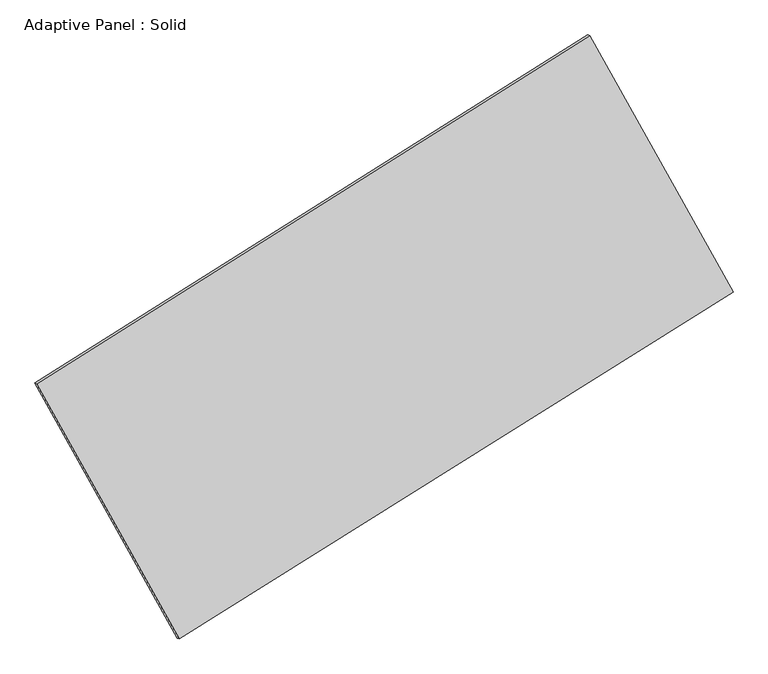
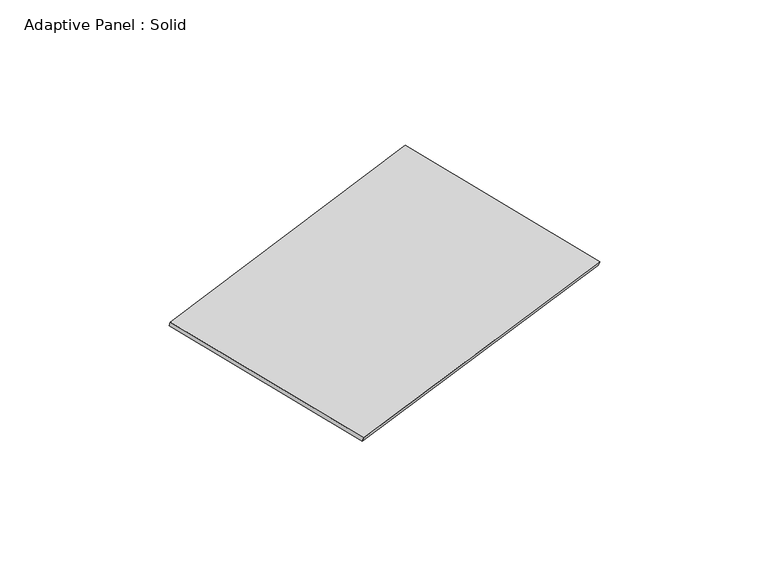
"""IFC4 building model written with IfcOpenShell, lengths in millimetres: plate geometry, Adaptive Panel : Solid."""

import ifcopenshell
import ifcopenshell.guid

model = None  # the IFC model being written
_history = None  # IfcOwnerHistory: only IFC2X3 demands one
_inside = {}  # id of a spatial element -> (the spatial element, [elements in it])
_under = {}  # id of a project, library or spatial element -> (it, [spatial elements below it])
_declared = {}  # id of a project -> (the project, [libraries it declares])
_typed = {}  # id of a type object -> (the type object, [elements of that type])
_made_of = {}  # id of a material, layer set ... -> (it, [elements and type objects made of it])


def new_model(schema):
    """Start an empty IFC model of exactly this schema.

    Asked for "IFC4X3", IfcOpenShell would pick the latest addendum, in which some entities
    have other attributes; the version numbers below select the first issue.
    IFC2X3 requires an IfcOwnerHistory on every rooted entity: one is made here for all.
    """
    global model, _history
    if schema == "IFC4X3":
        model = ifcopenshell.file(schema_version=(4, 3, 0, 0))
    else:
        model = ifcopenshell.file(schema=schema)
    _inside.clear()
    _under.clear()
    _declared.clear()
    _typed.clear()
    _made_of.clear()
    _history = None
    if model.schema == "IFC2X3":
        org = make("IfcOrganization", Name="unknown")
        user = make(
            "IfcPersonAndOrganization",
            ThePerson=make("IfcPerson", FamilyName="unknown"),
            TheOrganization=org,
        )
        app = make(
            "IfcApplication",
            ApplicationDeveloper=org,
            Version="unknown",
            ApplicationFullName="unknown",
            ApplicationIdentifier="unknown",
        )
        _history = make(
            "IfcOwnerHistory",
            OwningUser=user,
            OwningApplication=app,
            ChangeAction="ADDED",
            CreationDate=0,
        )
    return model


def make(cls, **values):
    """One entity of the class cls with the attributes given. An attribute that is None is left unset."""
    return model.create_entity(
        cls, **{name: value for name, value in values.items() if value is not None}
    )


def rooted(cls, **values):
    """An entity with a GlobalId (a new one), such as an element, a storey or a relation."""
    return make(cls, GlobalId=ifcopenshell.guid.new(), OwnerHistory=_history, **values)


def si_unit(unit_type, name, prefix=None):
    """IfcSIUnit, for example si_unit("LENGTHUNIT", "METRE", prefix="MILLI")."""
    return make("IfcSIUnit", UnitType=unit_type, Prefix=prefix, Name=name)


def assignment(units):
    """IfcUnitAssignment: the units of a project."""
    return None if units is None else make("IfcUnitAssignment", Units=units)


def point(xyz):
    """IfcCartesianPoint."""
    return None if xyz is None else make("IfcCartesianPoint", Coordinates=xyz)


def direction(xyz):
    """IfcDirection."""
    return None if xyz is None else make("IfcDirection", DirectionRatios=xyz)


def frame(location, z_axis=None, x_axis=None):
    """IfcAxis2Placement3D, a coordinate frame: its origin and axes. An axis left out is left unset."""
    return make(
        "IfcAxis2Placement3D",
        Location=point(location),
        Axis=direction(z_axis),
        RefDirection=direction(x_axis),
    )


def origin():
    """The frame at (0, 0, 0) with its axes left unset."""
    return frame((0.0, 0.0, 0.0))


def place(relative_to, where):
    """IfcLocalPlacement: puts the frame where relative to a parent placement (None: the world)."""
    return make(
        "IfcLocalPlacement", PlacementRelTo=relative_to, RelativePlacement=where
    )


def context(
    kind, dimensions, precision=None, world=None, true_north=None, identifier=None
):
    """IfcGeometricRepresentationContext, for example the 3D "Model" context."""
    return make(
        "IfcGeometricRepresentationContext",
        ContextIdentifier=identifier,
        ContextType=kind,
        CoordinateSpaceDimension=dimensions,
        Precision=precision,
        WorldCoordinateSystem=world,
        TrueNorth=true_north,
    )


def project(units=None, contexts=None):
    """IfcProject with its units and contexts."""
    return rooted(
        "IfcProject",
        Name="project",
        RepresentationContexts=contexts,
        UnitsInContext=assignment(units),
    )


def spatial(cls, under=None, at=None, **own):
    """A site, building, storey or space (cls), placed at a placement, below another one or the project."""
    s = rooted(cls, ObjectPlacement=at, **own)
    if under is not None:
        _under.setdefault(under.id(), (under, []))[1].append(s)
    return s


def polyline(points):
    """IfcPolyline through the points."""
    return make("IfcPolyline", Points=[point(p) for p in points])


def outline(outer, holes=None, kind="AREA"):
    """IfcArbitraryClosedProfileDef: a profile drawn as a closed curve; with holes, ...WithVoids."""
    if holes is None:
        return make("IfcArbitraryClosedProfileDef", ProfileType=kind, OuterCurve=outer)
    return make(
        "IfcArbitraryProfileDefWithVoids",
        ProfileType=kind,
        OuterCurve=outer,
        InnerCurves=holes,
    )


def extrude(swept, where, along, depth):
    """IfcExtrudedAreaSolid: the profile swept, set in the frame where, extruded along a direction by depth."""
    return make(
        "IfcExtrudedAreaSolid",
        SweptArea=swept,
        Position=where,
        ExtrudedDirection=direction(along),
        Depth=depth,
    )


def shape(context_of_items, identifier, shape_type, items):
    """IfcShapeRepresentation: the items that make up one representation, for example the "Body"."""
    return make(
        "IfcShapeRepresentation",
        ContextOfItems=context_of_items,
        RepresentationIdentifier=identifier,
        RepresentationType=shape_type,
        Items=items,
    )


def source(mapping_origin, context_of_items, identifier, shape_type, items):
    """IfcRepresentationMap: a shape defined once, which mapped items show again and again."""
    return make(
        "IfcRepresentationMap",
        MappingOrigin=mapping_origin,
        MappedRepresentation=shape(context_of_items, identifier, shape_type, items),
    )


def transform(
    local_origin,
    x_axis=None,
    y_axis=None,
    z_axis=None,
    scale=None,
    scale2=None,
    scale3=None,
    uniform=True,
):
    """IfcCartesianTransformationOperator3D, or its non-uniform kind. x_axis, y_axis, z_axis: its Axis1, 2, 3."""
    if uniform:
        return make(
            "IfcCartesianTransformationOperator3D",
            Axis1=direction(x_axis),
            Axis2=direction(y_axis),
            LocalOrigin=point(local_origin),
            Scale=scale,
            Axis3=direction(z_axis),
        )
    return make(
        "IfcCartesianTransformationOperator3DnonUniform",
        Axis1=direction(x_axis),
        Axis2=direction(y_axis),
        LocalOrigin=point(local_origin),
        Scale=scale,
        Axis3=direction(z_axis),
        Scale2=scale2,
        Scale3=scale3,
    )


def mapped(mapping_source, mapping_target):
    """IfcMappedItem: shows the shape of a source again, moved by a transform."""
    return make(
        "IfcMappedItem", MappingSource=mapping_source, MappingTarget=mapping_target
    )


def made_of(thing, what):
    """Note that an element or type object is made of a material, layer set ...; save() writes the relation."""
    if what is not None:
        _made_of.setdefault(what.id(), (what, []))[1].append(thing)
    return thing


def element(
    cls,
    number,
    at=None,
    inside=None,
    cuts=None,
    type_object=None,
    material=None,
    context=None,
    identifier="Body",
    shape_type=None,
    held_by="IfcProductDefinitionShape",
    body=None,
    shapes=None,
    **own,
):
    """One element of the class cls, such as IfcWall. Its Tag is "e" and its number.

    at: its placement. inside: the storey or other place that contains it. cuts: it is an
    opening in that element (IfcRelVoidsElement). A single representation is given by context,
    identifier, shape_type and body (its items); several are given by shapes. held_by: the class
    of the entity that holds the representations. save() writes the other relations.
    """
    e = rooted(cls, Tag="e%d" % number, ObjectPlacement=at, **own)
    if body is not None:
        shapes = [shape(context, identifier, shape_type, body)]
    if shapes is not None:
        e.Representation = make(held_by, Representations=shapes)
    if inside is not None:
        _inside.setdefault(inside.id(), (inside, []))[1].append(e)
    if cuts is not None:
        rooted(
            "IfcRelVoidsElement", RelatingBuildingElement=cuts, RelatedOpeningElement=e
        )
    if type_object is not None:
        _typed.setdefault(type_object.id(), (type_object, []))[1].append(e)
    return made_of(e, material)


def aggregate(whole, parts):
    """IfcRelAggregates: a whole, such as a stair, and the parts it consists of."""
    return rooted("IfcRelAggregates", RelatingObject=whole, RelatedObjects=parts)


def save(model, path):
    """Write the relations noted so far, then the file.

    IfcRelAggregates (storeys below a building ...), IfcRelContainedInSpatialStructure (elements
    in a storey), IfcRelDefinesByType, IfcRelAssociatesMaterial and IfcRelDeclares: one each for
    every whole, place, type object, material and project.
    """
    for whole, parts in _under.values():
        aggregate(whole, parts)
    for where, things in _inside.values():
        rooted(
            "IfcRelContainedInSpatialStructure",
            RelatedElements=things,
            RelatingStructure=where,
        )
    for kind, things in _typed.values():
        rooted("IfcRelDefinesByType", RelatedObjects=things, RelatingType=kind)
    for what, things in _made_of.values():
        rooted("IfcRelAssociatesMaterial", RelatedObjects=things, RelatingMaterial=what)
    for by, libraries in _declared.values():
        rooted("IfcRelDeclares", RelatingContext=by, RelatedDefinitions=libraries)
    model.write(path)


def adaptive_panel_solid_b6e12d7e(model_context):
    return source(origin(), model_context, "Body", "SweptSolid", [
        extrude(outline(polyline([(-1345.9517165, 2941.1864092), (1345.9517165, 2941.1864094), (1337.5496044, -2941.1864093), (-1337.5496044, -2941.1864093), (-1345.9517165, 2941.1864092)])), frame((-650.8226445, -100.0621432, 871.2806301), z_axis=(0.29332711661117633, -0.1276018692868717, 0.9474581603506667), x_axis=(0.47121904910330203, -0.8430027416256014, -0.25942047986598826)), (0.0, 0.0, 1.0), 50.0),
    ])


if __name__ == "__main__":
    model = new_model("IFC4")
    model_context = context("Model", 3, world=origin())
    ifc_project = project(units=[si_unit("LENGTHUNIT", "METRE", prefix="MILLI")], contexts=[model_context])
    site = spatial("IfcSite", under=ifc_project)
    building = spatial("IfcBuilding", under=site)
    placement = place(None, origin())
    adaptive_panel_solid_shape = adaptive_panel_solid_b6e12d7e(model_context)
    element("IfcPlate", 1, ObjectType="Adaptive Panel : Solid", at=placement, inside=building, context=model_context, shape_type="MappedRepresentation", body=[
        mapped(adaptive_panel_solid_shape, transform((0.0, 0.0, 0.0), x_axis=(1.0, 0.0, 0.0), y_axis=(0.0, 1.0, 0.0), z_axis=(0.0, 0.0, 1.0))),
    ])
    save(model, "model.ifc")
